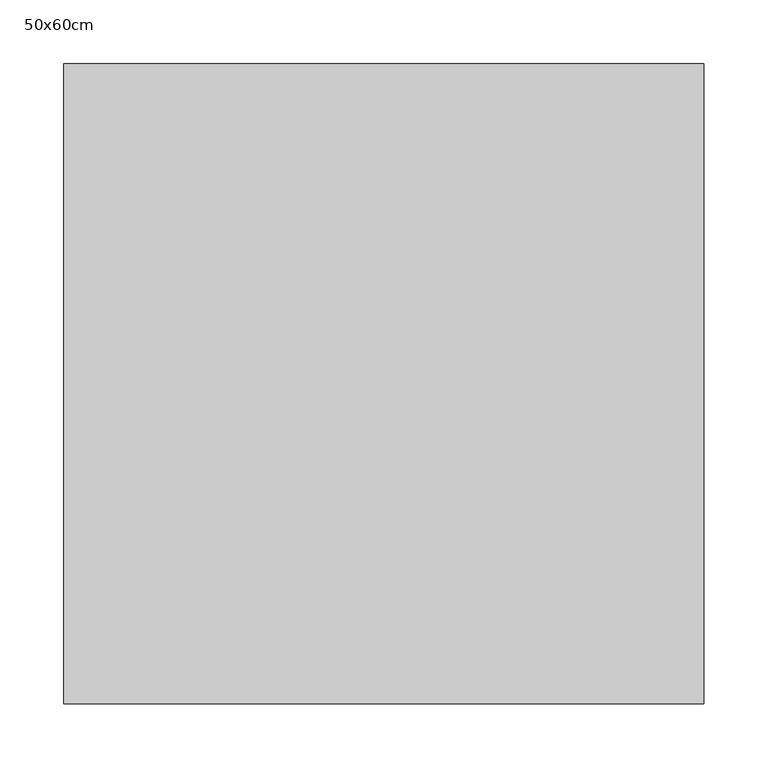
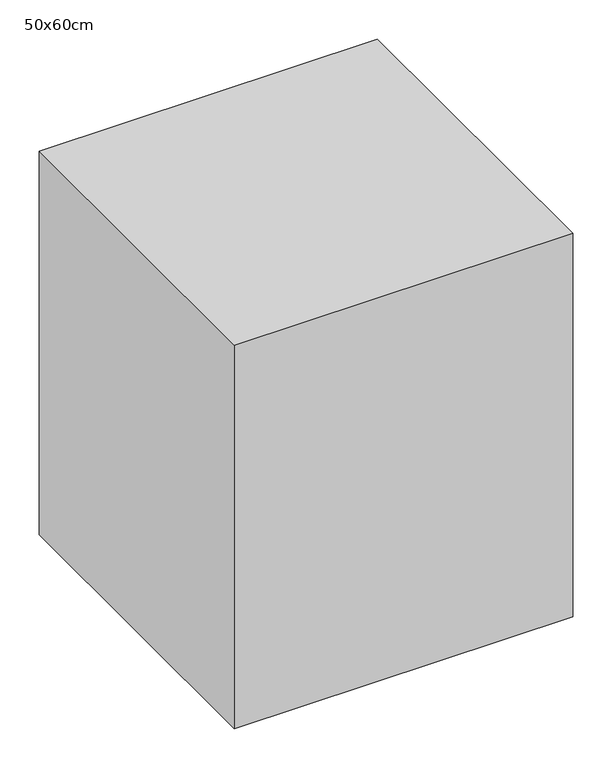
"""IFC4 building model written with IfcOpenShell, lengths in millimetres: proxy geometry, 50x60cm."""

from ifc_helpers import new_model, si_unit, frame, origin, place, context, project, spatial, polyline, outline, extrude, source, transform, mapped, element, save


def proxy_50x60cm_c5d58151(model_context):
    return source(origin(), model_context, "Body", "SweptSolid", [
        extrude(outline(polyline([(500.0, 500.0), (500.0, 0.0), (0.0, 0.0), (0.0, 500.0), (500.0, 500.0)])), frame((0.0, 0.0, 500.0), z_axis=(0.0, 0.0, 1.0), x_axis=(1.0, 0.0, 0.0)), (0.0, 0.0, 1.0), 600.0),
    ])


if __name__ == "__main__":
    model = new_model("IFC4")
    model_context = context("Model", 3, world=origin())
    ifc_project = project(units=[si_unit("LENGTHUNIT", "METRE", prefix="MILLI")], contexts=[model_context])
    site = spatial("IfcSite", under=ifc_project)
    building = spatial("IfcBuilding", under=site)
    placement = place(None, origin())
    proxy_50x60cm_shape = proxy_50x60cm_c5d58151(model_context)
    element("IfcBuildingElementProxy", 1, Name="50x60cm", ObjectType="50x60cm", at=placement, inside=building, context=model_context, shape_type="MappedRepresentation", body=[
        mapped(proxy_50x60cm_shape, transform((0.0, 0.0, 0.0), x_axis=(1.0, 0.0, 0.0), y_axis=(0.0, 1.0, 0.0), z_axis=(0.0, 0.0, 1.0))),
    ])
    save(model, "model.ifc")
